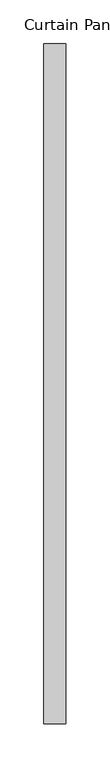
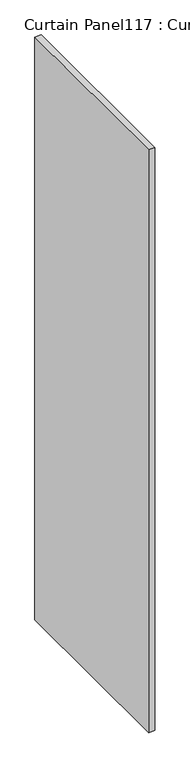
"""IFC4 building model written with IfcOpenShell, lengths in millimetres: plate geometry, Curtain Panel117 : Curtain Panel."""

from ifc_helpers import new_model, si_unit, origin, origin_with_axes, place, context, project, spatial, polyline, outline, extrude, source, transform, mapped, element, save


def curtain_panel117_curtain_panel_206f30c9(model_context):
    return source(origin(), model_context, "Body", "SweptSolid", [
        extrude(outline(polyline([(-57529.2137795, 2819.6760947), (-57529.2137795, 2041.2800836), (-57554.6137795, 2041.2800836), (-57554.6137795, 2819.6760947), (-57529.2137795, 2819.6760947)])), origin_with_axes(), (0.0, 0.0, 1.0), 2438.4),
    ])


if __name__ == "__main__":
    model = new_model("IFC4")
    model_context = context("Model", 3, world=origin())
    ifc_project = project(units=[si_unit("LENGTHUNIT", "METRE", prefix="MILLI")], contexts=[model_context])
    site = spatial("IfcSite", under=ifc_project)
    building = spatial("IfcBuilding", under=site)
    placement = place(None, origin())
    curtain_panel117_curtain_panel_shape = curtain_panel117_curtain_panel_206f30c9(model_context)
    element("IfcPlate", 1, ObjectType="Curtain Panel117 : Curtain Panel", at=placement, inside=building, context=model_context, shape_type="MappedRepresentation", body=[
        mapped(curtain_panel117_curtain_panel_shape, transform((0.0, 0.0, 0.0), x_axis=(1.0, 0.0, 0.0), y_axis=(0.0, 1.0, 0.0), z_axis=(0.0, 0.0, 1.0))),
    ])
    save(model, "model.ifc")
